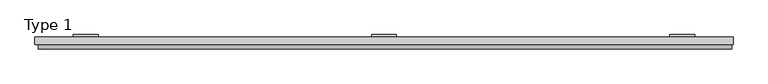
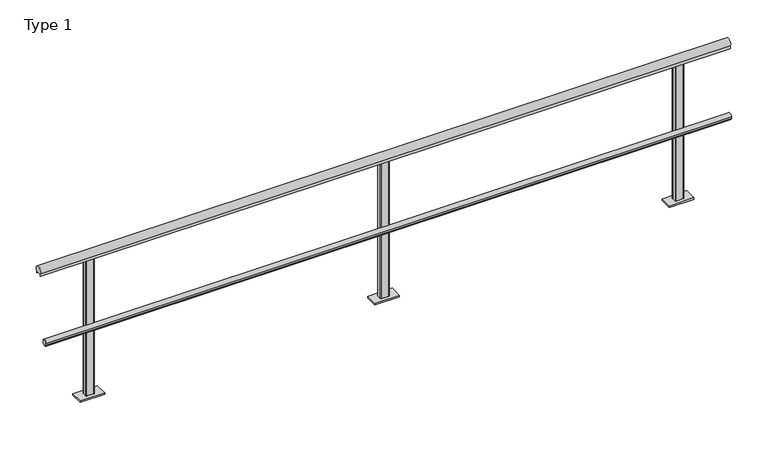
"""IFC4 building model written with IfcOpenShell, lengths in millimetres: railing geometry, Type 1."""

from ifc_helpers import new_model, si_unit, point, frame, frame_2d, origin, place, context, project, spatial, polyline, circle_curve, trimmed, segment, composite_curve, outline, extrude, source, transform, mapped, element, save
from ifc_brep_helpers import plane_surface, cylinder_surface, advanced_brep


def type_1_00f42364(model_context):
    return source(origin(), model_context, "Body", "SolidModel", [
        extrude(outline(composite_curve([segment(polyline([(-13.3, 480.617273), (-9.3, 480.617273), (-9.3, 495.382727), (-13.3, 495.382727)]), True, "CONTINUOUS"), segment(trimmed(circle_curve(frame_2d((5.287505, 488.0)), 20.0), [point((-13.3, 495.382727))], [point((21.0, 500.3740657))], False, "CARTESIAN"), True, "CONTINUOUS"), segment(polyline([(21.0, 500.3740657), (21.0, 475.6259343)]), True, "CONTINUOUS"), segment(trimmed(circle_curve(frame_2d((5.287505, 488.0)), 20.0), [point((21.0, 475.6259343))], [point((-13.3, 480.617273))], False, "CARTESIAN"), True, "CONTINUOUS")], self_intersect=False)), frame((-280.0, 0.0, 0.0), z_axis=(1.0, 0.0, 0.0), x_axis=(0.0, 1.0, 0.0)), (0.0, 0.0, 1.0), 4470.0),
        extrude(outline(composite_curve([segment(polyline([(61.0, 961.43534), (61.0, 943.0), (60.0, 943.0), (60.0, 958.0), (20.0, 958.0), (20.0, 943.0), (19.0, 943.0), (19.0, 961.43534)]), True, "CONTINUOUS"), segment(trimmed(circle_curve(frame_2d((40.0, 975.0)), 25.0), [point((19.0, 961.43534))], [point((61.0, 961.43534))], False, "CARTESIAN"), True, "CONTINUOUS")], self_intersect=False)), frame((-300.0, 0.0, 0.0), z_axis=(1.0, 0.0, 0.0), x_axis=(0.0, 1.0, 0.0)), (0.0, 0.0, 1.0), 4500.0),
        advanced_brep(
        [(1927.0, 59.0, 958.0), (1922.0, 54.0, 958.0), (1922.0, 26.0, 958.0), (1927.0, 21.0, 958.0), (1973.0, 21.0, 958.0), (1978.0, 26.0, 958.0), (1978.0, 54.0, 958.0), (1973.0, 59.0, 958.0), (1870.0, 80.0, 0.0), (2030.0, 80.0, 0.0), (2030.0, 0.0, 0.0), (1870.0, 0.0, 0.0), (1973.0, 59.0, 11.0), (1927.0, 59.0, 11.0), (1978.0, 54.0, 11.0), (1978.0, 26.0, 11.0), (1973.0, 21.0, 11.0), (1927.0, 21.0, 11.0), (1922.0, 26.0, 11.0), (1922.0, 54.0, 11.0), (1870.0, 80.0, 11.0), (1870.0, 0.0, 11.0), (2030.0, 0.0, 11.0), (2030.0, 80.0, 11.0)],
        [
            (0, 1, circle_curve(frame((1927.0, 54.0, 958.0), z_axis=(0.0, 0.0, 1.0), x_axis=(-1.0, 0.0, 0.0)), 5.0)),
            (1, 2),
            (2, 3, circle_curve(frame((1927.0, 26.0, 958.0), z_axis=(0.0, 0.0, 1.0), x_axis=(-1.0, 0.0, 0.0)), 5.0)),
            (3, 4),
            (4, 5, circle_curve(frame((1973.0, 26.0, 958.0), z_axis=(0.0, 0.0, 1.0), x_axis=(-1.0, 0.0, 0.0)), 5.0)),
            (5, 6),
            (6, 7, circle_curve(frame((1973.0, 54.0, 958.0), z_axis=(0.0, 0.0, 1.0), x_axis=(-1.0, 0.0, 0.0)), 5.0)),
            (7, 0),
            (8, 9),
            (9, 10),
            (10, 11),
            (11, 8),
            (7, 12),
            (12, 13),
            (13, 0),
            (6, 14),
            (14, 12, circle_curve(frame((1973.0, 54.0, 11.0), z_axis=(0.0, 0.0, 1.0), x_axis=(-1.0, 0.0, 0.0)), 5.0)),
            (5, 15),
            (15, 14),
            (4, 16),
            (16, 15, circle_curve(frame((1973.0, 26.0, 11.0), z_axis=(0.0, 0.0, 1.0), x_axis=(-1.0, 0.0, 0.0)), 5.0)),
            (3, 17),
            (17, 16),
            (2, 18),
            (18, 17, circle_curve(frame((1927.0, 26.0, 11.0), z_axis=(0.0, 0.0, 1.0), x_axis=(-1.0, 0.0, 0.0)), 5.0)),
            (1, 19),
            (19, 18),
            (13, 19, circle_curve(frame((1927.0, 54.0, 11.0), z_axis=(0.0, 0.0, 1.0), x_axis=(-1.0, 0.0, 0.0)), 5.0)),
            (20, 21),
            (21, 22),
            (22, 23),
            (23, 20),
            (23, 9),
            (8, 20),
            (22, 10),
            (21, 11),
        ],
        [
            plane_surface(frame((1973.0, 59.0, 958.0), z_axis=(0.0, 0.0, 1.0), x_axis=(1.0, 0.0, 0.0))),
            plane_surface(frame((1973.0, 59.0, 0.0), z_axis=(0.0, 0.0, -1.0), x_axis=(-1.0, 0.0, 0.0))),
            plane_surface(frame((1927.0, 59.0, 958.0), z_axis=(0.0, 1.0, 0.0), x_axis=(0.0, 0.0, -1.0))),
            cylinder_surface(frame((1973.0, 54.0, 0.0), z_axis=(0.0, 0.0, 1.0), x_axis=(-1.0, 0.0, 0.0)), 5.0),
            plane_surface(frame((1978.0, 54.0, 958.0), z_axis=(1.0, 0.0, 0.0), x_axis=(0.0, 0.0, -1.0))),
            cylinder_surface(frame((1973.0, 26.0, 0.0), z_axis=(0.0, 0.0, 1.0), x_axis=(-1.0, 0.0, 0.0)), 5.0),
            plane_surface(frame((1973.0, 21.0, 958.0), z_axis=(0.0, -1.0, 0.0), x_axis=(0.0, 0.0, -1.0))),
            cylinder_surface(frame((1927.0, 26.0, 0.0), z_axis=(0.0, 0.0, 1.0), x_axis=(-1.0, 0.0, 0.0)), 5.0),
            plane_surface(frame((1922.0, 26.0, 958.0), z_axis=(-1.0, 0.0, 0.0), x_axis=(0.0, 0.0, -1.0))),
            cylinder_surface(frame((1927.0, 54.0, 0.0), z_axis=(0.0, 0.0, 1.0), x_axis=(-1.0, 0.0, 0.0)), 5.0),
            plane_surface(frame((2030.0, 80.0, 11.0), z_axis=(0.0, 0.0, 1.0), x_axis=(1.0, 0.0, 0.0))),
            plane_surface(frame((1870.0, 80.0, 11.0), z_axis=(0.0, 1.0, 0.0), x_axis=(0.0, 0.0, -1.0))),
            plane_surface(frame((2030.0, 80.0, 11.0), z_axis=(1.0, 0.0, 0.0), x_axis=(0.0, 0.0, -1.0))),
            plane_surface(frame((2030.0, 0.0, 11.0), z_axis=(0.0, -1.0, 0.0), x_axis=(0.0, 0.0, -1.0))),
            plane_surface(frame((1870.0, 0.0, 11.0), z_axis=(-1.0, 0.0, 0.0), x_axis=(0.0, 0.0, -1.0))),
        ],
        [
            (0, [[1, 2, 3, 4, 5, 6, 7, 8]]),
            (1, [[9, 10, 11, 12]]),
            (2, [[13, 14, 15, -8]]),
            (3, [[16, 17, -13, -7]]),
            (4, [[18, 19, -16, -6]]),
            (5, [[20, 21, -18, -5]]),
            (6, [[22, 23, -20, -4]]),
            (7, [[24, 25, -22, -3]]),
            (8, [[26, 27, -24, -2]]),
            (9, [[-15, 28, -26, -1]]),
            (10, [[29, 30, 31, 32], [-17, -19, -21, -23, -25, -27, -28, -14]]),
            (11, [[33, -9, 34, -32]]),
            (12, [[35, -10, -33, -31]]),
            (13, [[36, -11, -35, -30]]),
            (14, [[-34, -12, -36, -29]]),
        ],
    ),
        advanced_brep(
        [(3849.0, 59.0, 958.0), (3844.0, 54.0, 958.0), (3844.0, 26.0, 958.0), (3849.0, 21.0, 958.0), (3895.0, 21.0, 958.0), (3900.0, 26.0, 958.0), (3900.0, 54.0, 958.0), (3895.0, 59.0, 958.0), (3792.0, 80.0, 0.0), (3952.0, 80.0, 0.0), (3952.0, 0.0, 0.0), (3792.0, 0.0, 0.0), (3895.0, 59.0, 11.0), (3849.0, 59.0, 11.0), (3900.0, 54.0, 11.0), (3900.0, 26.0, 11.0), (3895.0, 21.0, 11.0), (3849.0, 21.0, 11.0), (3844.0, 26.0, 11.0), (3844.0, 54.0, 11.0), (3792.0, 80.0, 11.0), (3792.0, 0.0, 11.0), (3952.0, 0.0, 11.0), (3952.0, 80.0, 11.0)],
        [
            (0, 1, circle_curve(frame((3849.0, 54.0, 958.0), z_axis=(0.0, 0.0, 1.0), x_axis=(-1.0, 0.0, 0.0)), 5.0)),
            (1, 2),
            (2, 3, circle_curve(frame((3849.0, 26.0, 958.0), z_axis=(0.0, 0.0, 1.0), x_axis=(-1.0, 0.0, 0.0)), 5.0)),
            (3, 4),
            (4, 5, circle_curve(frame((3895.0, 26.0, 958.0), z_axis=(0.0, 0.0, 1.0), x_axis=(-1.0, 0.0, 0.0)), 5.0)),
            (5, 6),
            (6, 7, circle_curve(frame((3895.0, 54.0, 958.0), z_axis=(0.0, 0.0, 1.0), x_axis=(-1.0, 0.0, 0.0)), 5.0)),
            (7, 0),
            (8, 9),
            (9, 10),
            (10, 11),
            (11, 8),
            (7, 12),
            (12, 13),
            (13, 0),
            (6, 14),
            (14, 12, circle_curve(frame((3895.0, 54.0, 11.0), z_axis=(0.0, 0.0, 1.0), x_axis=(-1.0, 0.0, 0.0)), 5.0)),
            (5, 15),
            (15, 14),
            (4, 16),
            (16, 15, circle_curve(frame((3895.0, 26.0, 11.0), z_axis=(0.0, 0.0, 1.0), x_axis=(-1.0, 0.0, 0.0)), 5.0)),
            (3, 17),
            (17, 16),
            (2, 18),
            (18, 17, circle_curve(frame((3849.0, 26.0, 11.0), z_axis=(0.0, 0.0, 1.0), x_axis=(-1.0, 0.0, 0.0)), 5.0)),
            (1, 19),
            (19, 18),
            (13, 19, circle_curve(frame((3849.0, 54.0, 11.0), z_axis=(0.0, 0.0, 1.0), x_axis=(-1.0, 0.0, 0.0)), 5.0)),
            (20, 21),
            (21, 22),
            (22, 23),
            (23, 20),
            (23, 9),
            (8, 20),
            (22, 10),
            (21, 11),
        ],
        [
            plane_surface(frame((3895.0, 59.0, 958.0), z_axis=(0.0, 0.0, 1.0), x_axis=(1.0, 0.0, 0.0))),
            plane_surface(frame((3895.0, 59.0, 0.0), z_axis=(0.0, 0.0, -1.0), x_axis=(-1.0, 0.0, 0.0))),
            plane_surface(frame((3849.0, 59.0, 958.0), z_axis=(0.0, 1.0, 0.0), x_axis=(0.0, 0.0, -1.0))),
            cylinder_surface(frame((3895.0, 54.0, 0.0), z_axis=(0.0, 0.0, 1.0), x_axis=(-1.0, 0.0, 0.0)), 5.0),
            plane_surface(frame((3900.0, 54.0, 958.0), z_axis=(1.0, 0.0, 0.0), x_axis=(0.0, 0.0, -1.0))),
            cylinder_surface(frame((3895.0, 26.0, 0.0), z_axis=(0.0, 0.0, 1.0), x_axis=(-1.0, 0.0, 0.0)), 5.0),
            plane_surface(frame((3895.0, 21.0, 958.0), z_axis=(0.0, -1.0, 0.0), x_axis=(0.0, 0.0, -1.0))),
            cylinder_surface(frame((3849.0, 26.0, 0.0), z_axis=(0.0, 0.0, 1.0), x_axis=(-1.0, 0.0, 0.0)), 5.0),
            plane_surface(frame((3844.0, 26.0, 958.0), z_axis=(-1.0, 0.0, 0.0), x_axis=(0.0, 0.0, -1.0))),
            cylinder_surface(frame((3849.0, 54.0, 0.0), z_axis=(0.0, 0.0, 1.0), x_axis=(-1.0, 0.0, 0.0)), 5.0),
            plane_surface(frame((3952.0, 80.0, 11.0), z_axis=(0.0, 0.0, 1.0), x_axis=(1.0, 0.0, 0.0))),
            plane_surface(frame((3792.0, 80.0, 11.0), z_axis=(0.0, 1.0, 0.0), x_axis=(0.0, 0.0, -1.0))),
            plane_surface(frame((3952.0, 80.0, 11.0), z_axis=(1.0, 0.0, 0.0), x_axis=(0.0, 0.0, -1.0))),
            plane_surface(frame((3952.0, 0.0, 11.0), z_axis=(0.0, -1.0, 0.0), x_axis=(0.0, 0.0, -1.0))),
            plane_surface(frame((3792.0, 0.0, 11.0), z_axis=(-1.0, 0.0, 0.0), x_axis=(0.0, 0.0, -1.0))),
        ],
        [
            (0, [[1, 2, 3, 4, 5, 6, 7, 8]]),
            (1, [[9, 10, 11, 12]]),
            (2, [[13, 14, 15, -8]]),
            (3, [[16, 17, -13, -7]]),
            (4, [[18, 19, -16, -6]]),
            (5, [[20, 21, -18, -5]]),
            (6, [[22, 23, -20, -4]]),
            (7, [[24, 25, -22, -3]]),
            (8, [[26, 27, -24, -2]]),
            (9, [[-15, 28, -26, -1]]),
            (10, [[29, 30, 31, 32], [-17, -19, -21, -23, -25, -27, -28, -14]]),
            (11, [[33, -9, 34, -32]]),
            (12, [[35, -10, -33, -31]]),
            (13, [[36, -11, -35, -30]]),
            (14, [[-34, -12, -36, -29]]),
        ],
    ),
        advanced_brep(
        [(5.0, 59.0, 958.0), (0.0, 54.0, 958.0), (0.0, 26.0, 958.0), (5.0, 21.0, 958.0), (51.0, 21.0, 958.0), (56.0, 26.0, 958.0), (56.0, 54.0, 958.0), (51.0, 59.0, 958.0), (-52.0, 80.0, 0.0), (108.0, 80.0, 0.0), (108.0, 0.0, 0.0), (-52.0, 0.0, 0.0), (51.0, 59.0, 11.0), (5.0, 59.0, 11.0), (56.0, 54.0, 11.0), (56.0, 26.0, 11.0), (51.0, 21.0, 11.0), (5.0, 21.0, 11.0), (0.0, 26.0, 11.0), (0.0, 54.0, 11.0), (-52.0, 80.0, 11.0), (-52.0, 0.0, 11.0), (108.0, 0.0, 11.0), (108.0, 80.0, 11.0)],
        [
            (0, 1, circle_curve(frame((5.0, 54.0, 958.0), z_axis=(0.0, 0.0, 1.0), x_axis=(-1.0, 0.0, 0.0)), 5.0)),
            (1, 2),
            (2, 3, circle_curve(frame((5.0, 26.0, 958.0), z_axis=(0.0, 0.0, 1.0), x_axis=(-1.0, 0.0, 0.0)), 5.0)),
            (3, 4),
            (4, 5, circle_curve(frame((51.0, 26.0, 958.0), z_axis=(0.0, 0.0, 1.0), x_axis=(-1.0, 0.0, 0.0)), 5.0)),
            (5, 6),
            (6, 7, circle_curve(frame((51.0, 54.0, 958.0), z_axis=(0.0, 0.0, 1.0), x_axis=(-1.0, 0.0, 0.0)), 5.0)),
            (7, 0),
            (8, 9),
            (9, 10),
            (10, 11),
            (11, 8),
            (7, 12),
            (12, 13),
            (13, 0),
            (6, 14),
            (14, 12, circle_curve(frame((51.0, 54.0, 11.0), z_axis=(0.0, 0.0, 1.0), x_axis=(-1.0, 0.0, 0.0)), 5.0)),
            (5, 15),
            (15, 14),
            (4, 16),
            (16, 15, circle_curve(frame((51.0, 26.0, 11.0), z_axis=(0.0, 0.0, 1.0), x_axis=(-1.0, 0.0, 0.0)), 5.0)),
            (3, 17),
            (17, 16),
            (2, 18),
            (18, 17, circle_curve(frame((5.0, 26.0, 11.0), z_axis=(0.0, 0.0, 1.0), x_axis=(-1.0, 0.0, 0.0)), 5.0)),
            (1, 19),
            (19, 18),
            (13, 19, circle_curve(frame((5.0, 54.0, 11.0), z_axis=(0.0, 0.0, 1.0), x_axis=(-1.0, 0.0, 0.0)), 5.0)),
            (20, 21),
            (21, 22),
            (22, 23),
            (23, 20),
            (23, 9),
            (8, 20),
            (22, 10),
            (21, 11),
        ],
        [
            plane_surface(frame((51.0, 59.0, 958.0), z_axis=(0.0, 0.0, 1.0), x_axis=(1.0, 0.0, 0.0))),
            plane_surface(frame((51.0, 59.0, 0.0), z_axis=(0.0, 0.0, -1.0), x_axis=(-1.0, 0.0, 0.0))),
            plane_surface(frame((5.0, 59.0, 958.0), z_axis=(0.0, 1.0, 0.0), x_axis=(0.0, 0.0, -1.0))),
            cylinder_surface(frame((51.0, 54.0, 0.0), z_axis=(0.0, 0.0, 1.0), x_axis=(-1.0, 0.0, 0.0)), 5.0),
            plane_surface(frame((56.0, 54.0, 958.0), z_axis=(1.0, 0.0, 0.0), x_axis=(0.0, 0.0, -1.0))),
            cylinder_surface(frame((51.0, 26.0, 0.0), z_axis=(0.0, 0.0, 1.0), x_axis=(-1.0, 0.0, 0.0)), 5.0),
            plane_surface(frame((51.0, 21.0, 958.0), z_axis=(0.0, -1.0, 0.0), x_axis=(0.0, 0.0, -1.0))),
            cylinder_surface(frame((5.0, 26.0, 0.0), z_axis=(0.0, 0.0, 1.0), x_axis=(-1.0, 0.0, 0.0)), 5.0),
            plane_surface(frame((0.0, 26.0, 958.0), z_axis=(-1.0, 0.0, 0.0), x_axis=(0.0, 0.0, -1.0))),
            cylinder_surface(frame((5.0, 54.0, 0.0), z_axis=(0.0, 0.0, 1.0), x_axis=(-1.0, 0.0, 0.0)), 5.0),
            plane_surface(frame((108.0, 80.0, 11.0), z_axis=(0.0, 0.0, 1.0), x_axis=(1.0, 0.0, 0.0))),
            plane_surface(frame((-52.0, 80.0, 11.0), z_axis=(0.0, 1.0, 0.0), x_axis=(0.0, 0.0, -1.0))),
            plane_surface(frame((108.0, 80.0, 11.0), z_axis=(1.0, 0.0, 0.0), x_axis=(0.0, 0.0, -1.0))),
            plane_surface(frame((108.0, 0.0, 11.0), z_axis=(0.0, -1.0, 0.0), x_axis=(0.0, 0.0, -1.0))),
            plane_surface(frame((-52.0, 0.0, 11.0), z_axis=(-1.0, 0.0, 0.0), x_axis=(0.0, 0.0, -1.0))),
        ],
        [
            (0, [[1, 2, 3, 4, 5, 6, 7, 8]]),
            (1, [[9, 10, 11, 12]]),
            (2, [[13, 14, 15, -8]]),
            (3, [[16, 17, -13, -7]]),
            (4, [[18, 19, -16, -6]]),
            (5, [[20, 21, -18, -5]]),
            (6, [[22, 23, -20, -4]]),
            (7, [[24, 25, -22, -3]]),
            (8, [[26, 27, -24, -2]]),
            (9, [[-15, 28, -26, -1]]),
            (10, [[29, 30, 31, 32], [-17, -19, -21, -23, -25, -27, -28, -14]]),
            (11, [[33, -9, 34, -32]]),
            (12, [[35, -10, -33, -31]]),
            (13, [[36, -11, -35, -30]]),
            (14, [[-34, -12, -36, -29]]),
        ],
    ),
    ])


if __name__ == "__main__":
    model = new_model("IFC4")
    model_context = context("Model", 3, world=origin())
    ifc_project = project(units=[si_unit("LENGTHUNIT", "METRE", prefix="MILLI")], contexts=[model_context])
    site = spatial("IfcSite", under=ifc_project)
    building = spatial("IfcBuilding", under=site)
    placement = place(None, origin())
    type_1_shape = type_1_00f42364(model_context)
    element("IfcRailing", 1, ObjectType="Type 1", at=placement, inside=building, context=model_context, shape_type="MappedRepresentation", body=[
        mapped(type_1_shape, transform((0.0, 0.0, 0.0), x_axis=(1.0, 0.0, 0.0), y_axis=(0.0, 1.0, 0.0), z_axis=(0.0, 0.0, 1.0))),
    ])
    save(model, "model.ifc")
